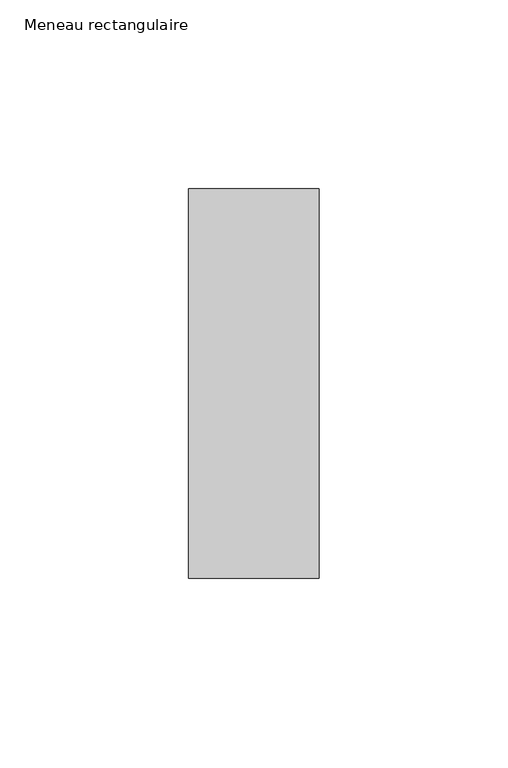
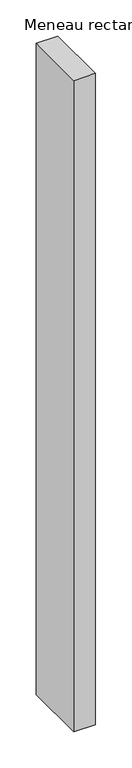
"""IFC4 building model written with IfcOpenShell, lengths in millimetres: member geometry, Meneau rectangulaire."""

from ifc_helpers import new_model, si_unit, frame, origin, place, context, project, spatial, polyline, outline, extrude, source, transform, mapped, element, save


def meneau_rectangulaire_47c90fb2(model_context):
    return source(origin(), model_context, "Body", "SweptSolid", [
        extrude(outline(polyline([(-34.5, 51.5), (0.0, 51.5), (0.0, -51.5), (-34.5, -51.5), (-34.5, 51.5)])), frame((0.0, 0.0, -1095.1250002), z_axis=(0.0, 0.0, 1.0), x_axis=(1.0, 0.0, 0.0)), (0.0, 0.0, 1.0), 1095.1250002),
    ])


if __name__ == "__main__":
    model = new_model("IFC4")
    model_context = context("Model", 3, world=origin())
    ifc_project = project(units=[si_unit("LENGTHUNIT", "METRE", prefix="MILLI")], contexts=[model_context])
    site = spatial("IfcSite", under=ifc_project)
    building = spatial("IfcBuilding", under=site)
    placement = place(None, origin())
    meneau_rectangulaire_shape = meneau_rectangulaire_47c90fb2(model_context)
    element("IfcMember", 1, ObjectType="Meneau rectangulaire", at=placement, inside=building, context=model_context, shape_type="MappedRepresentation", body=[
        mapped(meneau_rectangulaire_shape, transform((0.0, 0.0, 0.0), x_axis=(1.0, 0.0, 0.0), y_axis=(0.0, 1.0, 0.0), z_axis=(0.0, 0.0, 1.0))),
    ])
    save(model, "model.ifc")
